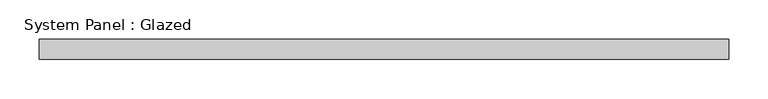
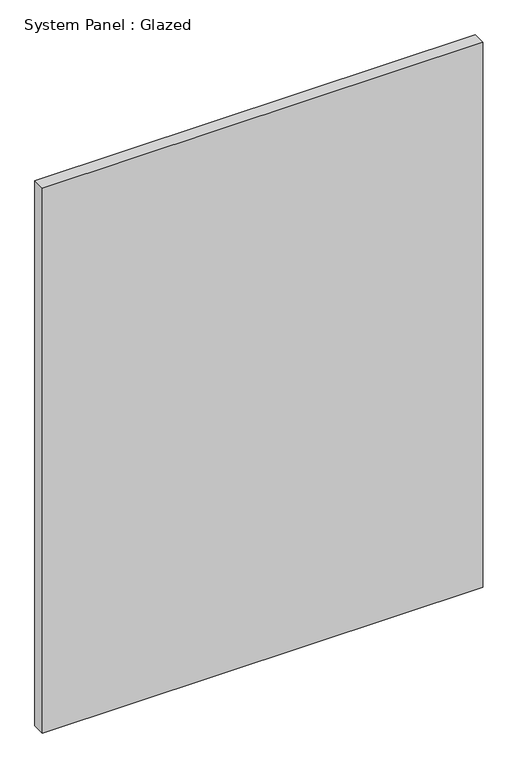
"""IFC4 building model written with IfcOpenShell, lengths in millimetres: plate geometry, System Panel : Glazed."""

from ifc_helpers import new_model, si_unit, origin, origin_with_axes, place, context, project, spatial, polyline, outline, extrude, source, transform, mapped, element, save


def system_panel_glazed_c07987bf(model_context):
    return source(origin(), model_context, "Body", "SweptSolid", [
        extrude(outline(polyline([(438.1038418, 19.05), (-438.1038418, 19.05), (-438.1038418, 44.45), (438.1038418, 44.45), (438.1038418, 19.05)])), origin_with_axes(), (0.0, 0.0, 1.0), 1146.1010889),
    ])


if __name__ == "__main__":
    model = new_model("IFC4")
    model_context = context("Model", 3, world=origin())
    ifc_project = project(units=[si_unit("LENGTHUNIT", "METRE", prefix="MILLI")], contexts=[model_context])
    site = spatial("IfcSite", under=ifc_project)
    building = spatial("IfcBuilding", under=site)
    placement = place(None, origin())
    system_panel_glazed_shape = system_panel_glazed_c07987bf(model_context)
    element("IfcPlate", 1, ObjectType="System Panel : Glazed", at=placement, inside=building, context=model_context, shape_type="MappedRepresentation", body=[
        mapped(system_panel_glazed_shape, transform((0.0, 0.0, 0.0), x_axis=(1.0, 0.0, 0.0), y_axis=(0.0, 1.0, 0.0), z_axis=(0.0, 0.0, 1.0))),
    ])
    save(model, "model.ifc")
